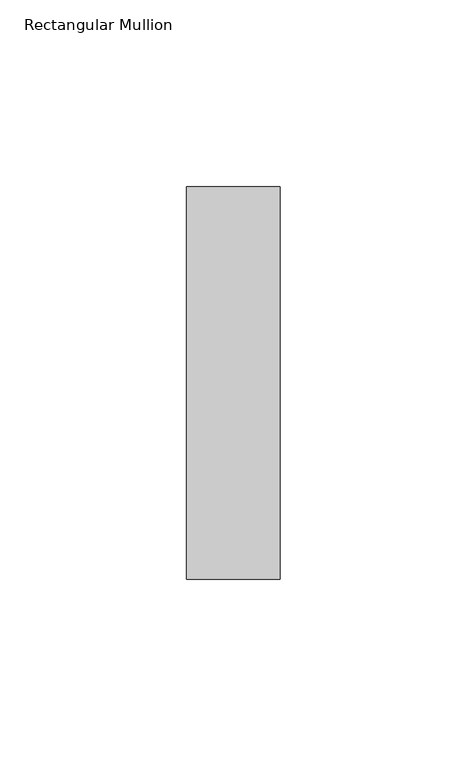
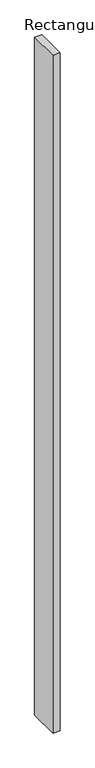
"""IFC4 building model written with IfcOpenShell, lengths in millimetres: member geometry, Rectangular Mullion."""

from ifc_helpers import new_model, si_unit, frame, origin, place, context, project, spatial, polyline, outline, extrude, source, transform, mapped, element, save


def rectangular_mullion_7833afb1(model_context):
    return source(origin(), model_context, "Body", "SweptSolid", [
        extrude(outline(polyline([(0.0, -40.0), (-25.0, -40.0), (-25.0, 65.0), (0.0, 65.0), (0.0, -40.0)])), frame((0.0, 0.0, -2400.0), z_axis=(0.0, 0.0, 1.0), x_axis=(1.0, 0.0, 0.0)), (0.0, 0.0, 1.0), 2400.0),
    ])


if __name__ == "__main__":
    model = new_model("IFC4")
    model_context = context("Model", 3, world=origin())
    ifc_project = project(units=[si_unit("LENGTHUNIT", "METRE", prefix="MILLI")], contexts=[model_context])
    site = spatial("IfcSite", under=ifc_project)
    building = spatial("IfcBuilding", under=site)
    placement = place(None, origin())
    rectangular_mullion_shape = rectangular_mullion_7833afb1(model_context)
    element("IfcMember", 1, ObjectType="Rectangular Mullion", at=placement, inside=building, context=model_context, shape_type="MappedRepresentation", body=[
        mapped(rectangular_mullion_shape, transform((0.0, 0.0, 0.0), x_axis=(1.0, 0.0, 0.0), y_axis=(0.0, 1.0, 0.0), z_axis=(0.0, 0.0, 1.0))),
    ])
    save(model, "model.ifc")
